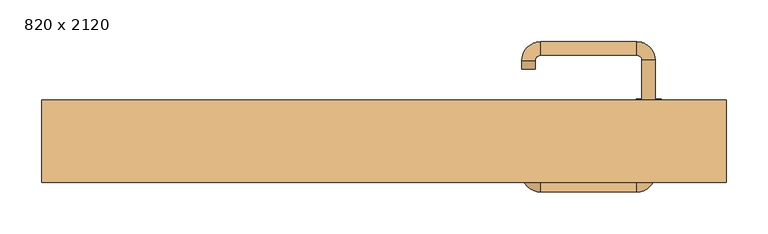
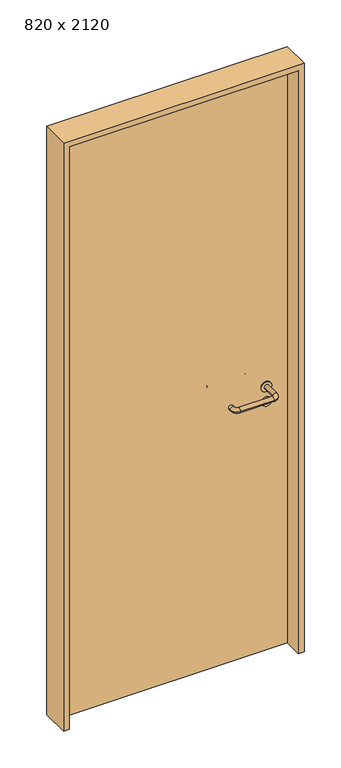
"""IFC4 building model written with IfcOpenShell, lengths in millimetres: door geometry, 820 x 2120."""

import ifcopenshell
import ifcopenshell.guid

model = None  # the IFC model being written
_history = None  # IfcOwnerHistory: only IFC2X3 demands one
_inside = {}  # id of a spatial element -> (the spatial element, [elements in it])
_under = {}  # id of a project, library or spatial element -> (it, [spatial elements below it])
_declared = {}  # id of a project -> (the project, [libraries it declares])
_typed = {}  # id of a type object -> (the type object, [elements of that type])
_made_of = {}  # id of a material, layer set ... -> (it, [elements and type objects made of it])


def new_model(schema):
    """Start an empty IFC model of exactly this schema.

    Asked for "IFC4X3", IfcOpenShell would pick the latest addendum, in which some entities
    have other attributes; the version numbers below select the first issue.
    IFC2X3 requires an IfcOwnerHistory on every rooted entity: one is made here for all.
    """
    global model, _history
    if schema == "IFC4X3":
        model = ifcopenshell.file(schema_version=(4, 3, 0, 0))
    else:
        model = ifcopenshell.file(schema=schema)
    _inside.clear()
    _under.clear()
    _declared.clear()
    _typed.clear()
    _made_of.clear()
    _history = None
    if model.schema == "IFC2X3":
        org = make("IfcOrganization", Name="unknown")
        user = make(
            "IfcPersonAndOrganization",
            ThePerson=make("IfcPerson", FamilyName="unknown"),
            TheOrganization=org,
        )
        app = make(
            "IfcApplication",
            ApplicationDeveloper=org,
            Version="unknown",
            ApplicationFullName="unknown",
            ApplicationIdentifier="unknown",
        )
        _history = make(
            "IfcOwnerHistory",
            OwningUser=user,
            OwningApplication=app,
            ChangeAction="ADDED",
            CreationDate=0,
        )
    return model


def make(cls, **values):
    """One entity of the class cls with the attributes given. An attribute that is None is left unset."""
    return model.create_entity(
        cls, **{name: value for name, value in values.items() if value is not None}
    )


def rooted(cls, **values):
    """An entity with a GlobalId (a new one), such as an element, a storey or a relation."""
    return make(cls, GlobalId=ifcopenshell.guid.new(), OwnerHistory=_history, **values)


def si_unit(unit_type, name, prefix=None):
    """IfcSIUnit, for example si_unit("LENGTHUNIT", "METRE", prefix="MILLI")."""
    return make("IfcSIUnit", UnitType=unit_type, Prefix=prefix, Name=name)


def assignment(units):
    """IfcUnitAssignment: the units of a project."""
    return None if units is None else make("IfcUnitAssignment", Units=units)


def point(xyz):
    """IfcCartesianPoint."""
    return None if xyz is None else make("IfcCartesianPoint", Coordinates=xyz)


def direction(xyz):
    """IfcDirection."""
    return None if xyz is None else make("IfcDirection", DirectionRatios=xyz)


def frame(location, z_axis=None, x_axis=None):
    """IfcAxis2Placement3D, a coordinate frame: its origin and axes. An axis left out is left unset."""
    return make(
        "IfcAxis2Placement3D",
        Location=point(location),
        Axis=direction(z_axis),
        RefDirection=direction(x_axis),
    )


def frame_2d(location, x_axis=None):
    """IfcAxis2Placement2D, a coordinate frame in the plane: its origin and x axis."""
    return make(
        "IfcAxis2Placement2D", Location=point(location), RefDirection=direction(x_axis)
    )


def origin():
    """The frame at (0, 0, 0) with its axes left unset."""
    return frame((0.0, 0.0, 0.0))


def origin_with_axes():
    """The frame at (0, 0, 0) with the z axis (0, 0, 1) and the x axis (1, 0, 0) written out."""
    return frame((0.0, 0.0, 0.0), z_axis=(0.0, 0.0, 1.0), x_axis=(1.0, 0.0, 0.0))


def place(relative_to, where):
    """IfcLocalPlacement: puts the frame where relative to a parent placement (None: the world)."""
    return make(
        "IfcLocalPlacement", PlacementRelTo=relative_to, RelativePlacement=where
    )


def context(
    kind, dimensions, precision=None, world=None, true_north=None, identifier=None
):
    """IfcGeometricRepresentationContext, for example the 3D "Model" context."""
    return make(
        "IfcGeometricRepresentationContext",
        ContextIdentifier=identifier,
        ContextType=kind,
        CoordinateSpaceDimension=dimensions,
        Precision=precision,
        WorldCoordinateSystem=world,
        TrueNorth=true_north,
    )


def project(units=None, contexts=None):
    """IfcProject with its units and contexts."""
    return rooted(
        "IfcProject",
        Name="project",
        RepresentationContexts=contexts,
        UnitsInContext=assignment(units),
    )


def spatial(cls, under=None, at=None, **own):
    """A site, building, storey or space (cls), placed at a placement, below another one or the project."""
    s = rooted(cls, ObjectPlacement=at, **own)
    if under is not None:
        _under.setdefault(under.id(), (under, []))[1].append(s)
    return s


def polyline(points):
    """IfcPolyline through the points."""
    return make("IfcPolyline", Points=[point(p) for p in points])


def circle_curve(where, radius):
    """IfcCircle in the frame where."""
    return make("IfcCircle", Position=where, Radius=radius)


def ellipse_curve(where, semi_axis1, semi_axis2):
    """IfcEllipse in the frame where."""
    return make(
        "IfcEllipse", Position=where, SemiAxis1=semi_axis1, SemiAxis2=semi_axis2
    )


def trimmed(basis, trim1, trim2, sense, master):
    """IfcTrimmedCurve: the piece of a basis curve between two trims."""
    return make(
        "IfcTrimmedCurve",
        BasisCurve=basis,
        Trim1=trim1,
        Trim2=trim2,
        SenseAgreement=sense,
        MasterRepresentation=master,
    )


def segment(curve, same_sense, transition):
    """IfcCompositeCurveSegment."""
    return make(
        "IfcCompositeCurveSegment",
        Transition=transition,
        SameSense=same_sense,
        ParentCurve=curve,
    )


def composite_curve(segments, self_intersect=None):
    """IfcCompositeCurve: segments joined end to end."""
    return make("IfcCompositeCurve", Segments=segments, SelfIntersect=self_intersect)


def outline(outer, holes=None, kind="AREA"):
    """IfcArbitraryClosedProfileDef: a profile drawn as a closed curve; with holes, ...WithVoids."""
    if holes is None:
        return make("IfcArbitraryClosedProfileDef", ProfileType=kind, OuterCurve=outer)
    return make(
        "IfcArbitraryProfileDefWithVoids",
        ProfileType=kind,
        OuterCurve=outer,
        InnerCurves=holes,
    )


def extrude(swept, where, along, depth):
    """IfcExtrudedAreaSolid: the profile swept, set in the frame where, extruded along a direction by depth."""
    return make(
        "IfcExtrudedAreaSolid",
        SweptArea=swept,
        Position=where,
        ExtrudedDirection=direction(along),
        Depth=depth,
    )


def shape(context_of_items, identifier, shape_type, items):
    """IfcShapeRepresentation: the items that make up one representation, for example the "Body"."""
    return make(
        "IfcShapeRepresentation",
        ContextOfItems=context_of_items,
        RepresentationIdentifier=identifier,
        RepresentationType=shape_type,
        Items=items,
    )


def source(mapping_origin, context_of_items, identifier, shape_type, items):
    """IfcRepresentationMap: a shape defined once, which mapped items show again and again."""
    return make(
        "IfcRepresentationMap",
        MappingOrigin=mapping_origin,
        MappedRepresentation=shape(context_of_items, identifier, shape_type, items),
    )


def transform(
    local_origin,
    x_axis=None,
    y_axis=None,
    z_axis=None,
    scale=None,
    scale2=None,
    scale3=None,
    uniform=True,
):
    """IfcCartesianTransformationOperator3D, or its non-uniform kind. x_axis, y_axis, z_axis: its Axis1, 2, 3."""
    if uniform:
        return make(
            "IfcCartesianTransformationOperator3D",
            Axis1=direction(x_axis),
            Axis2=direction(y_axis),
            LocalOrigin=point(local_origin),
            Scale=scale,
            Axis3=direction(z_axis),
        )
    return make(
        "IfcCartesianTransformationOperator3DnonUniform",
        Axis1=direction(x_axis),
        Axis2=direction(y_axis),
        LocalOrigin=point(local_origin),
        Scale=scale,
        Axis3=direction(z_axis),
        Scale2=scale2,
        Scale3=scale3,
    )


def mapped(mapping_source, mapping_target):
    """IfcMappedItem: shows the shape of a source again, moved by a transform."""
    return make(
        "IfcMappedItem", MappingSource=mapping_source, MappingTarget=mapping_target
    )


def made_of(thing, what):
    """Note that an element or type object is made of a material, layer set ...; save() writes the relation."""
    if what is not None:
        _made_of.setdefault(what.id(), (what, []))[1].append(thing)
    return thing


def element(
    cls,
    number,
    at=None,
    inside=None,
    cuts=None,
    type_object=None,
    material=None,
    context=None,
    identifier="Body",
    shape_type=None,
    held_by="IfcProductDefinitionShape",
    body=None,
    shapes=None,
    **own,
):
    """One element of the class cls, such as IfcWall. Its Tag is "e" and its number.

    at: its placement. inside: the storey or other place that contains it. cuts: it is an
    opening in that element (IfcRelVoidsElement). A single representation is given by context,
    identifier, shape_type and body (its items); several are given by shapes. held_by: the class
    of the entity that holds the representations. save() writes the other relations.
    """
    e = rooted(cls, Tag="e%d" % number, ObjectPlacement=at, **own)
    if body is not None:
        shapes = [shape(context, identifier, shape_type, body)]
    if shapes is not None:
        e.Representation = make(held_by, Representations=shapes)
    if inside is not None:
        _inside.setdefault(inside.id(), (inside, []))[1].append(e)
    if cuts is not None:
        rooted(
            "IfcRelVoidsElement", RelatingBuildingElement=cuts, RelatedOpeningElement=e
        )
    if type_object is not None:
        _typed.setdefault(type_object.id(), (type_object, []))[1].append(e)
    return made_of(e, material)


def aggregate(whole, parts):
    """IfcRelAggregates: a whole, such as a stair, and the parts it consists of."""
    return rooted("IfcRelAggregates", RelatingObject=whole, RelatedObjects=parts)


def save(model, path):
    """Write the relations noted so far, then the file.

    IfcRelAggregates (storeys below a building ...), IfcRelContainedInSpatialStructure (elements
    in a storey), IfcRelDefinesByType, IfcRelAssociatesMaterial and IfcRelDeclares: one each for
    every whole, place, type object, material and project.
    """
    for whole, parts in _under.values():
        aggregate(whole, parts)
    for where, things in _inside.values():
        rooted(
            "IfcRelContainedInSpatialStructure",
            RelatedElements=things,
            RelatingStructure=where,
        )
    for kind, things in _typed.values():
        rooted("IfcRelDefinesByType", RelatedObjects=things, RelatingType=kind)
    for what, things in _made_of.values():
        rooted("IfcRelAssociatesMaterial", RelatedObjects=things, RelatingMaterial=what)
    for by, libraries in _declared.values():
        rooted("IfcRelDeclares", RelatingContext=by, RelatedDefinitions=libraries)
    model.write(path)


def plane_surface(at):
    """IfcPlane: the flat surface through the origin of the frame at, square to its z axis."""
    return make("IfcPlane", Position=at)


def cylinder_surface(at, radius):
    """IfcCylindricalSurface: all points at the distance radius from the z axis of the frame at."""
    return make("IfcCylindricalSurface", Position=at, Radius=radius)


def revolved_surface(curve, axis_point, axis_direction):
    """IfcSurfaceOfRevolution: the curve turned about the line through axis_point along axis_direction."""
    return make(
        "IfcSurfaceOfRevolution",
        SweptCurve=make("IfcArbitraryOpenProfileDef", ProfileType="CURVE", Curve=curve),
        AxisPosition=make("IfcAxis1Placement", Location=point(axis_point), Axis=direction(axis_direction)),
    )


def advanced_brep(points, edges, surfaces, faces):
    """IfcAdvancedBrep: a solid bounded by faces that lie on surfaces and meet in shared edges.

    An edge is (start, end): straight between two places in points (the first is 0);
    or (start, end, curve); or (start, end, curve, False) where it runs against its curve.
    A face is (place in surfaces, loops), or (place, loops, False) where it looks against
    its surface's normal. A loop lists edges by number (the first is 1), with a minus sign
    where the edge is run from its end to its start. The first loop is the outer one.
    """
    corners = [point(p) for p in points]
    vertices = [make("IfcVertexPoint", VertexGeometry=c) for c in corners]
    made = []
    for start, end, *more in edges:
        made.append(
            make(
                "IfcEdgeCurve",
                EdgeStart=vertices[start],
                EdgeEnd=vertices[end],
                EdgeGeometry=more[0] if more else make("IfcPolyline", Points=[corners[start], corners[end]]),
                SameSense=more[1] if len(more) > 1 else True,
            )
        )
    hull = []
    for where, loops, *sense in faces:
        bounds = []
        for j, loop in enumerate(loops):
            ring = [make("IfcOrientedEdge", EdgeElement=made[abs(k) - 1], Orientation=k > 0) for k in loop]
            bounds.append(
                make(
                    "IfcFaceOuterBound" if j == 0 else "IfcFaceBound",
                    Bound=make("IfcEdgeLoop", EdgeList=ring),
                    Orientation=True,
                )
            )
        hull.append(make("IfcAdvancedFace", Bounds=bounds, FaceSurface=surfaces[where], SameSense=sense[0] if sense else True))
    return make("IfcAdvancedBrep", Outer=make("IfcClosedShell", CfsFaces=hull))


def door_820_x_2120_2a3fa72e(model_context):
    return source(origin(), model_context, "Body", "SolidModel", [
        extrude(outline(composite_curve([segment(trimmed(circle_curve(frame_2d((897.3605726, 317.0)), 15.0), [point((897.3605726, 332.0))], [point((897.3605726, 302.0))], False, "CARTESIAN"), True, "CONTINUOUS"), segment(trimmed(circle_curve(frame_2d((897.3605726, 317.0)), 15.0), [point((897.3605726, 302.0))], [point((897.3605726, 332.0))], False, "CARTESIAN"), True, "CONTINUOUS")], self_intersect=False), holes=[composite_curve([segment(trimmed(circle_curve(frame_2d((892.5833211, 316.9398032)), 2.0), [point((892.5833211, 318.9398032))], [point((892.5833211, 314.9398032))], True, "CARTESIAN"), True, "CONTINUOUS"), segment(polyline([(892.5833211, 314.9398032), (902.5833211, 314.9398032)]), True, "CONTINUOUS"), segment(trimmed(circle_curve(frame_2d((902.5833211, 316.9398032)), 2.0), [point((902.5833211, 314.9398032))], [point((902.5833211, 318.9398032))], True, "CARTESIAN"), True, "CONTINUOUS"), segment(polyline([(902.5833211, 318.9398032), (892.5833211, 318.9398032)]), True, "CONTINUOUS")], self_intersect=False)]), frame((0.0, 8.65, 0.0), z_axis=(0.0, 1.0, 0.0), x_axis=(0.0, 0.0, 1.0)), (0.0, 0.0, 1.0), 6.35),
        extrude(outline(composite_curve([segment(trimmed(circle_curve(frame_2d((950.0, 317.0)), 17.526), [point((950.0, 334.526))], [point((950.0, 299.474))], False, "CARTESIAN"), True, "CONTINUOUS"), segment(trimmed(circle_curve(frame_2d((950.0, 317.0)), 17.526), [point((950.0, 299.474))], [point((950.0, 334.526))], False, "CARTESIAN"), True, "CONTINUOUS")], self_intersect=False)), frame((0.0, 11.825, 0.0), z_axis=(0.0, 1.0, 0.0), x_axis=(0.0, 0.0, 1.0)), (0.0, 0.0, 1.0), 3.175),
        advanced_brep(
        [(325.0, 15.0, 950.0), (309.0, 15.0, 950.0), (309.0, -38.0, 950.0), (325.0, -38.0, 950.0), (302.8578644, -44.1421356, 950.0), (302.8578644, -60.1421356, 950.0), (187.8578644, -44.1421356, 950.0), (187.8578644, -60.1421356, 950.0), (181.008622, -37.2928932, 950.0), (165.008622, -37.2928932, 950.0), (165.008622, -27.2928932, 950.0), (181.008622, -27.2928932, 950.0)],
        [
            (0, 1, circle_curve(frame((317.0, 15.0, 950.0), z_axis=(0.0, 1.0, 0.0), x_axis=(-1.0, 0.0, 0.0)), 8.0)),
            (1, 0, circle_curve(frame((317.0, 15.0, 950.0), z_axis=(0.0, 1.0, 0.0), x_axis=(-1.0, 0.0, 0.0)), 8.0)),
            (1, 2),
            (2, 3, circle_curve(frame((317.0, -38.0, 950.0), z_axis=(0.0, 1.0, 0.0), x_axis=(-1.0, 0.0, 0.0)), 8.0)),
            (3, 0),
            (3, 2, circle_curve(frame((317.0, -38.0, 950.0), z_axis=(0.0, 1.0, 0.0), x_axis=(-1.0, 0.0, 0.0)), 8.0)),
            (4, 5, circle_curve(frame((302.8578644, -52.1421356, 950.0), z_axis=(1.0, 0.0, 0.0), x_axis=(0.0, 1.0, 0.0)), 8.0)),
            (5, 3, circle_curve(frame((302.8578644, -38.0, 950.0), z_axis=(0.0, 0.0, 1.0), x_axis=(1.0, 0.0, 0.0)), 22.1421356)),
            (2, 4, circle_curve(frame((302.8578644, -38.0, 950.0), z_axis=(0.0, 0.0, -1.0), x_axis=(1.0, 0.0, 0.0)), 6.1421356)),
            (5, 4, circle_curve(frame((302.8578644, -52.1421356, 950.0), z_axis=(1.0, 0.0, 0.0), x_axis=(0.0, 1.0, 0.0)), 8.0)),
            (4, 6),
            (6, 7, circle_curve(frame((187.8578644, -52.1421356, 950.0), z_axis=(1.0, 0.0, 0.0), x_axis=(0.0, 1.0, 0.0)), 8.0)),
            (7, 5),
            (7, 6, circle_curve(frame((187.8578644, -52.1421356, 950.0), z_axis=(1.0, 0.0, 0.0), x_axis=(0.0, 1.0, 0.0)), 8.0)),
            (8, 9, circle_curve(frame((173.008622, -37.2928932, 950.0), z_axis=(0.0, -1.0, 0.0), x_axis=(1.0, 0.0, 0.0)), 8.0)),
            (9, 7, circle_curve(frame((187.8578644, -37.2928932, 950.0), z_axis=(0.0, 0.0, 1.0), x_axis=(0.0, -1.0, 0.0)), 22.8492424)),
            (6, 8, circle_curve(frame((187.8578644, -37.2928932, 950.0), z_axis=(0.0, 0.0, -1.0), x_axis=(0.0, -1.0, 0.0)), 6.8492424)),
            (9, 8, circle_curve(frame((173.008622, -37.2928932, 950.0), z_axis=(0.0, -1.0, 0.0), x_axis=(1.0, 0.0, 0.0)), 8.0)),
            (10, 11, circle_curve(frame((173.008622, -27.2928932, 950.0), z_axis=(0.0, 1.0, 0.0), x_axis=(1.0, 0.0, 0.0)), 8.0)),
            (11, 10, circle_curve(frame((173.008622, -27.2928932, 950.0), z_axis=(0.0, 1.0, 0.0), x_axis=(1.0, 0.0, 0.0)), 8.0)),
            (8, 11),
            (10, 9),
        ],
        [
            plane_surface(frame((317.0, 15.0, 0.0), z_axis=(0.0, 1.0, 0.0), x_axis=(0.0, 0.0, 1.0))),
            cylinder_surface(frame((317.0, 15.0, 950.0), z_axis=(0.0, 1.0, 0.0), x_axis=(-1.0, 0.0, 0.0)), 8.0),
            revolved_surface(trimmed(ellipse_curve(frame((317.0, -38.0, 950.0), z_axis=(0.0, -1.0, 0.0), x_axis=(-1.0, 0.0, 0.0)), 8.0, 8.0), [point((325.0, -38.0, 950.0))], [point((309.0, -38.0, 950.0))], True, "CARTESIAN"), (302.8578644, -38.0, 0.0), (0.0, 0.0, 1.0)),
            revolved_surface(trimmed(ellipse_curve(frame((317.0, -38.0, 950.0), z_axis=(0.0, -1.0, 0.0), x_axis=(-1.0, 0.0, 0.0)), 8.0, 8.0), [point((309.0, -38.0, 950.0))], [point((325.0, -38.0, 950.0))], True, "CARTESIAN"), (302.8578644, -38.0, 0.0), (0.0, 0.0, 1.0)),
            cylinder_surface(frame((302.8578644, -52.1421356, 950.0), z_axis=(1.0, 0.0, 0.0), x_axis=(0.0, 1.0, 0.0)), 8.0),
            revolved_surface(trimmed(ellipse_curve(frame((187.8578644, -52.1421356, 950.0), z_axis=(-1.0, 0.0, 0.0), x_axis=(0.0, 1.0, 0.0)), 8.0, 8.0), [point((187.8578644, -60.1421356, 950.0))], [point((187.8578644, -44.1421356, 950.0))], True, "CARTESIAN"), (187.8578644, -37.2928932, 0.0), (0.0, 0.0, 1.0)),
            revolved_surface(trimmed(ellipse_curve(frame((187.8578644, -52.1421356, 950.0), z_axis=(-1.0, 0.0, 0.0), x_axis=(0.0, 1.0, 0.0)), 8.0, 8.0), [point((187.8578644, -44.1421356, 950.0))], [point((187.8578644, -60.1421356, 950.0))], True, "CARTESIAN"), (187.8578644, -37.2928932, 0.0), (0.0, 0.0, 1.0)),
            plane_surface(frame((173.008622, -27.2928932, 0.0), z_axis=(0.0, 1.0, 0.0), x_axis=(0.0, 0.0, 1.0))),
            cylinder_surface(frame((173.008622, -37.2928932, 950.0), z_axis=(0.0, -1.0, 0.0), x_axis=(1.0, 0.0, 0.0)), 8.0),
        ],
        [
            (0, [[1, 2]]),
            (1, [[3, 4, 5, -2]]),
            (1, [[-5, 6, -3, -1]]),
            (2, [[7, 8, -4, 9]]),
            (3, [[10, -9, -6, -8]]),
            (4, [[11, 12, 13, -7]]),
            (4, [[-13, 14, -11, -10]]),
            (5, [[15, 16, -12, 17]]),
            (6, [[18, -17, -14, -16]]),
            (7, [[19, 20]]),
            (8, [[21, -19, 22, -15]]),
            (8, [[-22, -20, -21, -18]]),
        ],
    ),
        extrude(outline(composite_curve([segment(trimmed(circle_curve(frame_2d((0.0, -15.0)), 15.0), [point((0.0, -30.0))], [point((0.0, 0.0))], False, "CARTESIAN"), True, "CONTINUOUS"), segment(trimmed(circle_curve(frame_2d((0.0, -15.0)), 15.0), [point((0.0, 0.0))], [point((0.0, -30.0))], False, "CARTESIAN"), True, "CONTINUOUS")], self_intersect=False), holes=[composite_curve([segment(trimmed(circle_curve(frame_2d((4.7772515, -14.9398032)), 2.0), [point((4.7772515, -16.9398032))], [point((4.7772515, -12.9398032))], True, "CARTESIAN"), True, "CONTINUOUS"), segment(polyline([(4.7772515, -12.9398032), (-5.2227485, -12.9398032)]), True, "CONTINUOUS"), segment(trimmed(circle_curve(frame_2d((-5.2227485, -14.9398032)), 2.0), [point((-5.2227485, -12.9398032))], [point((-5.2227485, -16.9398032))], True, "CARTESIAN"), True, "CONTINUOUS"), segment(polyline([(-5.2227485, -16.9398032), (4.7772515, -16.9398032)]), True, "CONTINUOUS")], self_intersect=False)]), frame((302.0, 45.0, 897.3605726), z_axis=(1.8870575173328306e-12, 1.0, 0.0), x_axis=(0.0, 0.0, -1.0)), (0.0, 0.0, 1.0), 6.35),
        extrude(outline(composite_curve([segment(trimmed(circle_curve(frame_2d((0.0, -17.526)), 17.526), [point((0.0, -35.052))], [point((0.0, 0.0))], False, "CARTESIAN"), True, "CONTINUOUS"), segment(trimmed(circle_curve(frame_2d((0.0, -17.526)), 17.526), [point((0.0, 0.0))], [point((0.0, -35.052))], False, "CARTESIAN"), True, "CONTINUOUS")], self_intersect=False)), frame((299.474, 45.0, 950.0), z_axis=(1.8870575173328306e-12, 1.0, 0.0), x_axis=(0.0, 0.0, -1.0)), (0.0, 0.0, 1.0), 3.175),
        advanced_brep(
        [(325.0, 45.0, 950.0), (309.0, 45.0, 950.0), (325.0, 98.0, 950.0), (309.0, 98.0, 950.0), (302.8578644, 104.1421356, 950.0), (302.8578644, 120.1421356, 950.0), (187.8578644, 120.1421356, 950.0), (187.8578644, 104.1421356, 950.0), (181.008622, 97.2928932, 950.0), (165.008622, 97.2928932, 950.0), (165.008622, 87.2928932, 950.0), (181.008622, 87.2928932, 950.0)],
        [
            (0, 1, circle_curve(frame((317.0, 45.0, 950.0), z_axis=(-1.888672253512351e-12, -1.0, 0.0), x_axis=(-1.0, 1.888672253512351e-12, 0.0)), 8.0)),
            (1, 0, circle_curve(frame((317.0, 45.0, 950.0), z_axis=(-1.888672253512351e-12, -1.0, 0.0), x_axis=(-1.0, 1.888672253512351e-12, 0.0)), 8.0)),
            (0, 2),
            (2, 3, circle_curve(frame((317.0, 98.0, 950.0), z_axis=(-1.888672253512351e-12, -1.0, 0.0), x_axis=(-1.0, 1.888672253512351e-12, 0.0)), 8.0)),
            (3, 1),
            (3, 2, circle_curve(frame((317.0, 98.0, 950.0), z_axis=(-1.888672253512351e-12, -1.0, 0.0), x_axis=(-1.0, 1.888672253512351e-12, 0.0)), 8.0)),
            (4, 3, circle_curve(frame((302.8578644, 98.0, 950.0), z_axis=(0.0, 0.0, -1.0), x_axis=(1.0, -1.880717803715015e-12, 0.0)), 6.1421356)),
            (2, 5, circle_curve(frame((302.8578644, 98.0, 950.0), z_axis=(0.0, 0.0, 1.0), x_axis=(1.0, -1.880717803715015e-12, 0.0)), 22.1421356)),
            (5, 4, circle_curve(frame((302.8578644, 112.1421356, 950.0), z_axis=(1.0, -1.913702061528922e-12, 0.0), x_axis=(-1.913702061528922e-12, -1.0, 0.0)), 8.0)),
            (4, 5, circle_curve(frame((302.8578644, 112.1421356, 950.0), z_axis=(1.0, -1.913702061528922e-12, 0.0), x_axis=(-1.913702061528922e-12, -1.0, 0.0)), 8.0)),
            (5, 6),
            (6, 7, circle_curve(frame((187.8578644, 112.1421356, 950.0), z_axis=(1.0, -1.913719828541269e-12, 0.0), x_axis=(-1.913719828541269e-12, -1.0, 0.0)), 8.0)),
            (7, 4),
            (7, 6, circle_curve(frame((187.8578644, 112.1421356, 950.0), z_axis=(1.0, -1.913719828541269e-12, 0.0), x_axis=(-1.913719828541269e-12, -1.0, 0.0)), 8.0)),
            (8, 7, circle_curve(frame((187.8578644, 97.2928932, 950.0), z_axis=(0.0, 0.0, -1.0), x_axis=(1.9120873253494017e-12, 1.0, 0.0)), 6.8492424)),
            (6, 9, circle_curve(frame((187.8578644, 97.2928932, 950.0), z_axis=(0.0, 0.0, 1.0), x_axis=(1.9120873253494017e-12, 1.0, 0.0)), 22.8492424)),
            (9, 8, circle_curve(frame((173.008622, 97.2928932, 950.0), z_axis=(1.890448610351751e-12, 1.0, 0.0), x_axis=(1.0, -1.890448610351751e-12, 0.0)), 8.0)),
            (8, 9, circle_curve(frame((173.008622, 97.2928932, 950.0), z_axis=(1.8888942981172756e-12, 1.0, 0.0), x_axis=(1.0, -1.8888942981172756e-12, 0.0)), 8.0)),
            (10, 11, circle_curve(frame((173.008622, 87.2928932, 950.0), z_axis=(-1.8903642334018795e-12, -1.0, 0.0), x_axis=(1.0, -1.8903642334018795e-12, 0.0)), 8.0)),
            (11, 10, circle_curve(frame((173.008622, 87.2928932, 950.0), z_axis=(-1.8903642334018795e-12, -1.0, 0.0), x_axis=(1.0, -1.8903642334018795e-12, 0.0)), 8.0)),
            (9, 10),
            (11, 8),
        ],
        [
            plane_surface(frame((317.0, 45.0, 0.0), z_axis=(-1.8870575173328306e-12, -1.0, 0.0), x_axis=(0.0, 0.0, 1.0))),
            cylinder_surface(frame((317.0, 45.0, 950.0), z_axis=(-1.888672253512351e-12, -1.0, 0.0), x_axis=(-1.0, 1.888672253512351e-12, 0.0)), 8.0),
            revolved_surface(trimmed(ellipse_curve(frame((317.0, 98.0, 950.0), z_axis=(-1.8823325398945356e-12, -1.0, 0.0), x_axis=(-1.0, 1.8823325398945356e-12, 0.0)), 8.0, 8.0), [point((325.0, 98.0, 950.0))], [point((309.0, 98.0, 950.0))], True, "CARTESIAN"), (302.8578644, 98.0, 0.0), (0.0, 0.0, 1.0)),
            revolved_surface(trimmed(ellipse_curve(frame((317.0, 98.0, 950.0), z_axis=(-1.8823325398945356e-12, -1.0, 0.0), x_axis=(-1.0, 1.8823325398945356e-12, 0.0)), 8.0, 8.0), [point((309.0, 98.0, 950.0))], [point((325.0, 98.0, 950.0))], True, "CARTESIAN"), (302.8578644, 98.0, 0.0), (0.0, 0.0, 1.0)),
            cylinder_surface(frame((302.8578644, 112.1421356, 950.0), z_axis=(1.0, -1.913719828541269e-12, 0.0), x_axis=(-1.913719828541269e-12, -1.0, 0.0)), 8.0),
            revolved_surface(trimmed(ellipse_curve(frame((187.8578644, 112.1421356, 950.0), z_axis=(1.0, -1.913702061528922e-12, 0.0), x_axis=(-1.913702061528922e-12, -1.0, 0.0)), 8.0, 8.0), [point((187.8578644, 120.1421356, 950.0))], [point((187.8578644, 104.1421356, 950.0))], True, "CARTESIAN"), (187.8578644, 97.2928932, 0.0), (0.0, 0.0, 1.0)),
            revolved_surface(trimmed(ellipse_curve(frame((187.8578644, 112.1421356, 950.0), z_axis=(1.0, -1.913702061528922e-12, 0.0), x_axis=(-1.913702061528922e-12, -1.0, 0.0)), 8.0, 8.0), [point((187.8578644, 104.1421356, 950.0))], [point((187.8578644, 120.1421356, 950.0))], True, "CARTESIAN"), (187.8578644, 97.2928932, 0.0), (0.0, 0.0, 1.0)),
            plane_surface(frame((173.008622, 87.2928932, 0.0), z_axis=(-1.8887494972223595e-12, -1.0, 0.0), x_axis=(0.0, 0.0, 1.0))),
            cylinder_surface(frame((173.008622, 97.2928932, 950.0), z_axis=(1.8903642334018795e-12, 1.0, 0.0), x_axis=(1.0, -1.8903642334018795e-12, 0.0)), 8.0),
        ],
        [
            (0, [[1, 2]]),
            (1, [[-1, 3, 4, 5]]),
            (1, [[-2, -5, 6, -3]]),
            (2, [[7, -4, 8, 9]]),
            (3, [[-8, -6, -7, 10]]),
            (4, [[-9, 11, 12, 13]]),
            (4, [[-10, -13, 14, -11]]),
            (5, [[15, -12, 16, 17]]),
            (6, [[-16, -14, -15, 18]]),
            (7, [[19, 20]]),
            (8, [[-17, 21, -20, 22]]),
            (8, [[-18, -22, -19, -21]]),
        ],
    ),
        extrude(outline(polyline([(2100.0, 390.0), (0.0, 390.0), (0.0, 410.0), (2120.0, 410.0), (2120.0, -410.0), (0.0, -410.0), (0.0, -390.0), (2100.0, -390.0), (2100.0, 390.0)])), frame((0.0, -49.0, 0.0), z_axis=(0.0, 1.0, 0.0), x_axis=(0.0, 0.0, 1.0)), (0.0, 0.0, 1.0), 99.0),
        extrude(outline(polyline([(-390.0, 45.0), (390.0, 45.0), (390.0, 15.0), (-390.0, 15.0), (-390.0, 45.0)])), origin_with_axes(), (0.0, 0.0, 1.0), 2100.0),
    ])


if __name__ == "__main__":
    model = new_model("IFC4")
    model_context = context("Model", 3, world=origin())
    ifc_project = project(units=[si_unit("LENGTHUNIT", "METRE", prefix="MILLI")], contexts=[model_context])
    site = spatial("IfcSite", under=ifc_project)
    building = spatial("IfcBuilding", under=site)
    placement = place(None, origin())
    door_820_x_2120_shape = door_820_x_2120_2a3fa72e(model_context)
    element("IfcDoor", 1, ObjectType="820 x 2120", at=placement, inside=building, context=model_context, shape_type="MappedRepresentation", body=[
        mapped(door_820_x_2120_shape, transform((0.0, 0.0, 0.0), x_axis=(1.0, 0.0, 0.0), y_axis=(0.0, 1.0, 0.0), z_axis=(0.0, 0.0, 1.0))),
    ])
    save(model, "model.ifc")
